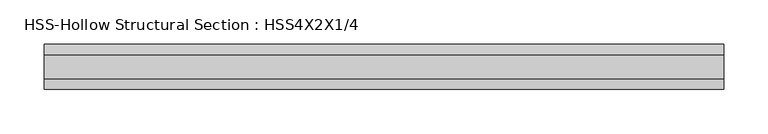
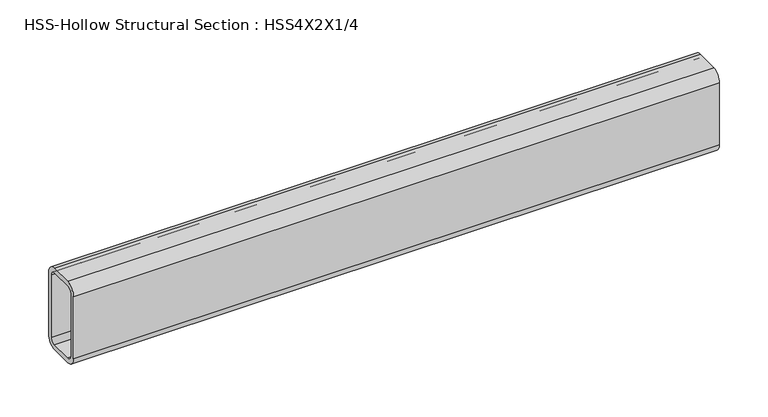
"""IFC4 building model written with IfcOpenShell, lengths in millimetres: beam geometry, HSS-Hollow Structural Section : HSS4X2X1/4."""

from ifc_helpers import new_model, si_unit, point, frame, frame_2d, origin, place, context, project, spatial, polyline, circle_curve, trimmed, segment, composite_curve, outline, extrude, source, transform, mapped, element, save


def hss_hollow_structural_section_hss4x2x1_4_aadb5642(model_context):
    return source(origin(), model_context, "Body", "SweptSolid", [
        extrude(outline(composite_curve([segment(polyline([(25.4, 38.9636), (25.4, -38.9636)]), True, "CONTINUOUS"), segment(trimmed(circle_curve(frame_2d((13.5636, -38.9636)), 11.8364), [point((25.4, -38.9636))], [point((13.5636, -50.8))], False, "CARTESIAN"), True, "CONTINUOUS"), segment(polyline([(13.5636, -50.8), (-13.5636, -50.8)]), True, "CONTINUOUS"), segment(trimmed(circle_curve(frame_2d((-13.5636, -38.9636)), 11.8364), [point((-13.5636, -50.8))], [point((-25.4, -38.9636))], False, "CARTESIAN"), True, "CONTINUOUS"), segment(polyline([(-25.4, -38.9636), (-25.4, 38.9636)]), True, "CONTINUOUS"), segment(trimmed(circle_curve(frame_2d((-13.5636, 38.9636)), 11.8364), [point((-25.4, 38.9636))], [point((-13.5636, 50.8))], False, "CARTESIAN"), True, "CONTINUOUS"), segment(polyline([(-13.5636, 50.8), (13.5636, 50.8)]), True, "CONTINUOUS"), segment(trimmed(circle_curve(frame_2d((13.5636, 38.9636)), 11.8364), [point((13.5636, 50.8))], [point((25.4, 38.9636))], False, "CARTESIAN"), True, "CONTINUOUS")], self_intersect=False), holes=[composite_curve([segment(trimmed(circle_curve(frame_2d((-13.5636, 38.9636)), 5.9182), [point((-13.5636, 44.8818))], [point((-19.4818, 38.9636))], True, "CARTESIAN"), True, "CONTINUOUS"), segment(polyline([(-19.4818, 38.9636), (-19.4818, -38.9636)]), True, "CONTINUOUS"), segment(trimmed(circle_curve(frame_2d((-13.5636, -38.9636)), 5.9182), [point((-19.4818, -38.9636))], [point((-13.5636, -44.8818))], True, "CARTESIAN"), True, "CONTINUOUS"), segment(polyline([(-13.5636, -44.8818), (13.5636, -44.8818)]), True, "CONTINUOUS"), segment(trimmed(circle_curve(frame_2d((13.5636, -38.9636)), 5.9182), [point((13.5636, -44.8818))], [point((19.4818, -38.9636))], True, "CARTESIAN"), True, "CONTINUOUS"), segment(polyline([(19.4818, -38.9636), (19.4818, 38.9636)]), True, "CONTINUOUS"), segment(trimmed(circle_curve(frame_2d((13.5636, 38.9636)), 5.9182), [point((19.4818, 38.9636))], [point((13.5636, 44.8818))], True, "CARTESIAN"), True, "CONTINUOUS"), segment(polyline([(13.5636, 44.8818), (-13.5636, 44.8818)]), True, "CONTINUOUS")], self_intersect=False)]), frame((-396.1841767, 0.0, 0.0), z_axis=(1.0, 0.0, 0.0), x_axis=(0.0, 1.0, 0.0)), (0.0, 0.0, 1.0), 765.5978537),
    ])


if __name__ == "__main__":
    model = new_model("IFC4")
    model_context = context("Model", 3, world=origin())
    ifc_project = project(units=[si_unit("LENGTHUNIT", "METRE", prefix="MILLI")], contexts=[model_context])
    site = spatial("IfcSite", under=ifc_project)
    building = spatial("IfcBuilding", under=site)
    placement = place(None, origin())
    hss_hollow_structural_section_hss4x2x1_4_shape = hss_hollow_structural_section_hss4x2x1_4_aadb5642(model_context)
    element("IfcBeam", 1, ObjectType="HSS-Hollow Structural Section : HSS4X2X1/4", at=placement, inside=building, context=model_context, shape_type="MappedRepresentation", body=[
        mapped(hss_hollow_structural_section_hss4x2x1_4_shape, transform((0.0, 0.0, 0.0), x_axis=(1.0, 0.0, 0.0), y_axis=(0.0, 1.0, 0.0), z_axis=(0.0, 0.0, 1.0))),
    ])
    save(model, "model.ifc")
